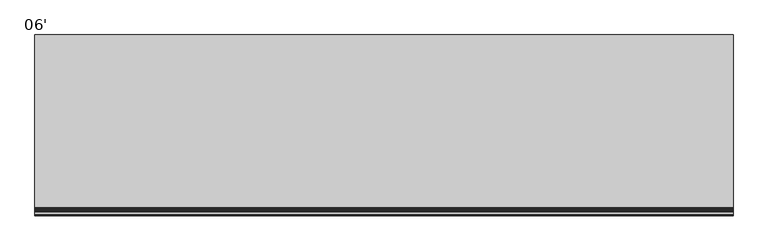
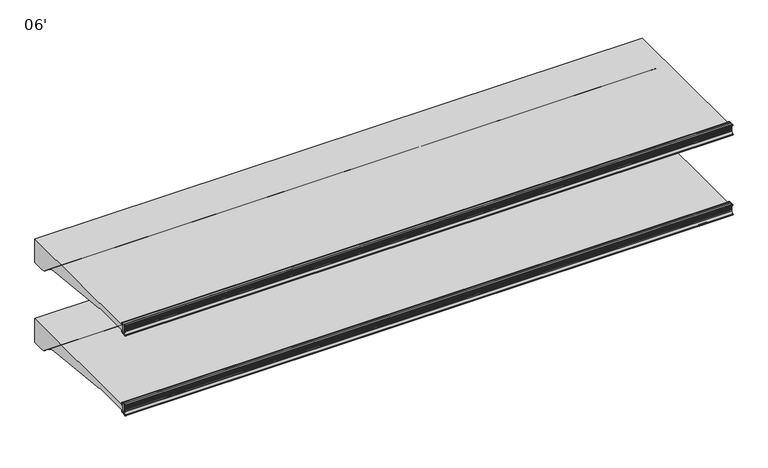
"""IFC4 building model written with IfcOpenShell, lengths in millimetres: proxy geometry, 06'."""

from ifc_helpers import new_model, si_unit, point, frame, frame_2d, origin, place, context, project, spatial, polyline, circle_curve, trimmed, segment, composite_curve, outline, extrude, source, transform, mapped, element, save
from ifc_brep_helpers import plane_surface, cylinder_surface, revolved_surface, advanced_brep


def proxy_06_7a166dba(model_context):
    return source(origin(), model_context, "Body", "SolidModel", [
        advanced_brep(
        [(1828.8, -953.4873974, 681.0904625), (1828.8, -952.5185778, 681.4714625), (1828.8, -953.6333414, 684.3061209), (1828.8, -956.6955302, 686.3996415), (1828.8, -959.1595285, 686.4076477), (1828.8, -959.1595285, 657.8657693), (1828.8, -961.2817196, 655.360368), (1828.8, -965.5436404, 654.6561237), (1828.8, -968.2411887, 658.2745384), (1828.8, -965.1539285, 670.8307421), (1828.8, -965.1539285, 686.4076477), (1828.8, -970.314443, 686.4076477), (1828.8, -971.339509, 685.8874951), (1828.8, -972.4224632, 683.637417), (1828.8, -971.4385536, 683.443709), (1828.8, -970.8449745, 685.0408785), (1828.8, -969.9972085, 685.2102858), (1828.8, -967.9567396, 682.1127655), (1828.8, -967.0677396, 682.1127655), (1828.8, -967.0677396, 677.2983931), (1828.8, -966.2810398, 677.1037668), (1828.8, -967.0803293, 673.8729566), (1828.8, -967.1337108, 670.8148125), (1828.8, -967.1768859, 669.6923073), (1828.8, -967.3201998, 668.0486892), (1828.8, -967.7783843, 665.2928115), (1828.8, -968.1746064, 663.6912412), (1828.8, -971.9864246, 655.4135187), (1828.8, -972.8889174, 655.5326257), (1828.8, -973.3695256, 656.9783707), (1828.8, -974.339124, 656.7144155), (1828.8, -973.9435731, 655.5633791), (1828.8, -968.3206176, 651.8042842), (1828.8, -955.7661201, 653.8703352), (1828.8, -953.1994616, 655.999106), (1828.8, -952.2242271, 658.6783954), (1828.8, -953.2266912, 659.0432625), (1828.8, -954.0834067, 657.2549991), (1828.8, -957.704454, 658.1647291), (1828.8, -957.8263588, 681.9749145), (1828.8, -954.1516029, 682.7785615), (0.0, -953.4873974, 681.0904625), (0.0, -954.1516029, 682.7785615), (0.0, -957.8263588, 681.9749145), (0.0, -957.704454, 658.1647291), (0.0, -954.0834067, 657.2549991), (0.0, -953.2266912, 659.0432625), (0.0, -952.2242271, 658.6783954), (0.0, -953.1994616, 655.999106), (0.0, -955.7661201, 653.8703352), (0.0, -968.3206176, 651.8042842), (0.0, -973.943554, 655.5633876), (0.0, -974.339124, 656.7144155), (0.0, -973.3695256, 656.9783707), (0.0, -972.8889174, 655.5326257), (0.0, -971.9864527, 655.4135375), (0.0, -968.1746064, 663.6912412), (0.0, -967.7783843, 665.2928115), (0.0, -967.3201998, 668.0486892), (0.0, -967.1768859, 669.6923073), (0.0, -967.1337108, 670.8148125), (0.0, -967.0803293, 673.8729566), (0.0, -966.2810398, 677.1037668), (0.0, -967.0677396, 677.2983931), (0.0, -967.0677396, 682.1127655), (0.0, -967.9567396, 682.1127655), (0.0, -969.9972022, 685.2102916), (0.0, -970.8449745, 685.0408785), (0.0, -971.4385536, 683.443709), (0.0, -972.4224582, 683.6374156), (0.0, -971.3395219, 685.8875045), (0.0, -970.314443, 686.4076351), (0.0, -965.1539285, 686.4076477), (0.0, -965.1539285, 670.8307421), (0.0, -968.2411887, 658.2745384), (0.0, -965.5436404, 654.6561237), (0.0, -961.2817196, 655.360368), (0.0, -959.1595285, 657.8657693), (0.0, -959.1595285, 686.4076477), (0.0, -956.6955302, 686.3996415), (0.0, -953.6333414, 684.3061209), (0.0, -952.5185778, 681.4714625)],
        [
            (0, 1),
            (1, 2),
            (2, 3, circle_curve(frame((1828.8, -956.7062592, 683.0976589), z_axis=(1.0, 0.0, 0.0), x_axis=(0.0, 1.0, 0.0)), 3.302)),
            (3, 4),
            (4, 5),
            (5, 6, circle_curve(frame((1828.8, -961.6995285, 657.8657693), z_axis=(-1.0, 0.0, 0.0), x_axis=(0.0, 1.0, 0.0)), 2.54)),
            (6, 7),
            (7, 8, circle_curve(frame((1828.8, -965.9577369, 657.1621385), z_axis=(-1.0, 0.0, 0.0), x_axis=(0.0, 1.0, 0.0)), 2.5399972)),
            (8, 9, circle_curve(frame((1828.8, -996.6337496, 671.9132099), z_axis=(1.0, 0.0, 0.0), x_axis=(0.0, 1.0, 0.0)), 31.4984265)),
            (9, 10),
            (10, 11),
            (11, 12, circle_curve(frame((1828.8, -970.3145227, 685.1376477), z_axis=(1.0, 0.0, 0.0), x_axis=(0.0, 1.0, 0.0)), 1.2699874)),
            (12, 13, circle_curve(frame((1828.8, -965.8048035, 681.8380607), z_axis=(1.0, 0.0, 0.0), x_axis=(0.0, 1.0, 0.0)), 6.8579226)),
            (13, 14, circle_curve(frame((1828.8, -971.9374049, 683.5055199), z_axis=(1.0, 0.0, 0.0), x_axis=(0.0, 1.0, 0.0)), 0.5026661)),
            (14, 15),
            (15, 16, circle_curve(frame((1828.8, -970.3688025, 684.8639119), z_axis=(-1.0, 0.0, 0.0), x_axis=(0.0, 1.0, 0.0)), 0.5079931)),
            (16, 17, circle_curve(frame((1828.8, -978.1160311, 677.6412695), z_axis=(-1.0, 0.0, 0.0), x_axis=(0.0, 1.0, 0.0)), 11.0997964)),
            (17, 18),
            (18, 19),
            (19, 20),
            (20, 21),
            (21, 22),
            (22, 23, circle_curve(frame((1828.8, -995.7036769, 671.3516199), z_axis=(-1.0, 0.0, 0.0), x_axis=(0.0, 1.0, 0.0)), 28.5750087)),
            (23, 24, circle_curve(frame((1828.8, -967.6415419, 668.9047655), z_axis=(-1.0, 0.0, 0.0), x_axis=(0.0, 1.0, 0.0)), 0.9144)),
            (24, 25, circle_curve(frame((1828.8, -995.7036769, 671.3516199), z_axis=(-1.0, 0.0, 0.0), x_axis=(0.0, 1.0, 0.0)), 28.5750087)),
            (25, 26, circle_curve(frame((1828.8, -968.3594405, 664.5867655), z_axis=(-1.0, 0.0, 0.0), x_axis=(0.0, 1.0, 0.0)), 0.9144)),
            (26, 27, circle_curve(frame((1828.8, -995.7036769, 671.3516199), z_axis=(-1.0, 0.0, 0.0), x_axis=(0.0, 1.0, 0.0)), 28.5750087)),
            (27, 28, circle_curve(frame((1828.8, -972.4081685, 655.6967617), z_axis=(-1.0, 0.0, 0.0), x_axis=(0.0, 1.0, 0.0)), 0.5079962)),
            (28, 29),
            (29, 30, circle_curve(frame((1828.8, -973.8504313, 656.8320909), z_axis=(1.0, 0.0, 0.0), x_axis=(0.0, 1.0, 0.0)), 0.502661)),
            (30, 31, circle_curve(frame((1828.8, -967.6812793, 658.3588849), z_axis=(1.0, 0.0, 0.0), x_axis=(0.0, 1.0, 0.0)), 6.857928)),
            (31, 32, circle_curve(frame((1828.8, -968.1450833, 658.1518495), z_axis=(1.0, 0.0, 0.0), x_axis=(0.0, 1.0, 0.0)), 6.3499919)),
            (32, 33),
            (33, 34, circle_curve(frame((1828.8, -956.302307, 657.1285107), z_axis=(1.0, 0.0, 0.0), x_axis=(0.0, 1.0, 0.0)), 3.302)),
            (34, 35),
            (35, 36),
            (36, 37),
            (37, 38, circle_curve(frame((1828.8, -955.8014264, 658.0780625), z_axis=(-1.0, 0.0, 0.0), x_axis=(0.0, 1.0, 0.0)), 1.905)),
            (38, 39, circle_curve(frame((1828.8, -1192.7045275, 668.8669665), z_axis=(1.0, 0.0, 0.0), x_axis=(0.0, 1.0, 0.0)), 235.2436449)),
            (39, 40, circle_curve(frame((1828.8, -955.9243184, 682.0810625), z_axis=(-1.0, 0.0, 0.0), x_axis=(0.0, 1.0, 0.0)), 1.905)),
            (40, 0),
            (41, 42),
            (42, 43, circle_curve(frame((0.0, -955.9243184, 682.0810625), z_axis=(1.0, 0.0, 0.0), x_axis=(0.0, 1.0, 0.0)), 1.905)),
            (43, 44, circle_curve(frame((0.0, -1192.7045275, 668.8669665), z_axis=(-1.0, 0.0, 0.0), x_axis=(0.0, 1.0, 0.0)), 235.2436449)),
            (44, 45, circle_curve(frame((0.0, -955.8014264, 658.0780625), z_axis=(1.0, 0.0, 0.0), x_axis=(0.0, 1.0, 0.0)), 1.905)),
            (45, 46),
            (46, 47),
            (47, 48),
            (48, 49, circle_curve(frame((0.0, -956.302307, 657.1285107), z_axis=(-1.0, 0.0, 0.0), x_axis=(0.0, 1.0, 0.0)), 3.302)),
            (49, 50),
            (50, 51, circle_curve(frame((0.0, -968.1450833, 658.1518495), z_axis=(-1.0, 0.0, 0.0), x_axis=(0.0, 1.0, 0.0)), 6.3499919)),
            (51, 52, circle_curve(frame((0.0, -967.6812793, 658.3588849), z_axis=(-1.0, 0.0, 0.0), x_axis=(0.0, 1.0, 0.0)), 6.857928)),
            (52, 53, circle_curve(frame((0.0, -973.8504313, 656.8320909), z_axis=(-1.0, 0.0, 0.0), x_axis=(0.0, 1.0, 0.0)), 0.502661)),
            (53, 54),
            (54, 55, circle_curve(frame((0.0, -972.4081685, 655.6967617), z_axis=(1.0, 0.0, 0.0), x_axis=(0.0, 1.0, 0.0)), 0.5079962)),
            (55, 56, circle_curve(frame((0.0, -995.7036769, 671.3516199), z_axis=(1.0, 0.0, 0.0), x_axis=(0.0, 1.0, 0.0)), 28.5750087)),
            (56, 57, circle_curve(frame((0.0, -968.3594405, 664.5867655), z_axis=(1.0, 0.0, 0.0), x_axis=(0.0, 1.0, 0.0)), 0.9144)),
            (57, 58, circle_curve(frame((0.0, -995.7036769, 671.3516199), z_axis=(1.0, 0.0, 0.0), x_axis=(0.0, 1.0, 0.0)), 28.5750087)),
            (58, 59, circle_curve(frame((0.0, -967.6415419, 668.9047655), z_axis=(1.0, 0.0, 0.0), x_axis=(0.0, 1.0, 0.0)), 0.9144)),
            (59, 60, circle_curve(frame((0.0, -995.7036769, 671.3516199), z_axis=(1.0, 0.0, 0.0), x_axis=(0.0, 1.0, 0.0)), 28.5750087)),
            (60, 61),
            (61, 62),
            (62, 63),
            (63, 64),
            (64, 65),
            (65, 66, circle_curve(frame((0.0, -978.1160311, 677.6412695), z_axis=(1.0, 0.0, 0.0), x_axis=(0.0, 1.0, 0.0)), 11.0997964)),
            (66, 67, circle_curve(frame((0.0, -970.3688025, 684.8639119), z_axis=(1.0, 0.0, 0.0), x_axis=(0.0, 1.0, 0.0)), 0.5079931)),
            (67, 68),
            (68, 69, circle_curve(frame((0.0, -971.9374049, 683.5055199), z_axis=(-1.0, 0.0, 0.0), x_axis=(0.0, 1.0, 0.0)), 0.5026661)),
            (69, 70, circle_curve(frame((0.0, -965.8048035, 681.8380607), z_axis=(-1.0, 0.0, 0.0), x_axis=(0.0, 1.0, 0.0)), 6.8579226)),
            (70, 71, circle_curve(frame((0.0, -970.3145227, 685.1376477), z_axis=(-1.0, 0.0, 0.0), x_axis=(0.0, 1.0, 0.0)), 1.2699874)),
            (71, 72),
            (72, 73),
            (73, 74, circle_curve(frame((0.0, -996.6337496, 671.9132099), z_axis=(-1.0, 0.0, 0.0), x_axis=(0.0, 1.0, 0.0)), 31.4984265)),
            (74, 75, circle_curve(frame((0.0, -965.9577369, 657.1621385), z_axis=(1.0, 0.0, 0.0), x_axis=(0.0, 1.0, 0.0)), 2.5399972)),
            (75, 76),
            (76, 77, circle_curve(frame((0.0, -961.6995285, 657.8657693), z_axis=(1.0, 0.0, 0.0), x_axis=(0.0, 1.0, 0.0)), 2.54)),
            (77, 78),
            (78, 79),
            (79, 80, circle_curve(frame((0.0, -956.7062592, 683.0976589), z_axis=(-1.0, 0.0, 0.0), x_axis=(0.0, 1.0, 0.0)), 3.302)),
            (80, 81),
            (81, 41),
            (0, 41),
            (81, 1),
            (80, 2),
            (79, 3),
            (78, 4),
            (77, 5),
            (76, 6),
            (75, 7),
            (74, 8),
            (73, 9),
            (72, 10),
            (71, 11),
            (70, 12),
            (69, 13),
            (68, 14),
            (67, 15),
            (66, 16),
            (65, 17),
            (64, 18),
            (63, 19),
            (62, 20),
            (61, 21),
            (60, 22),
            (59, 23),
            (58, 24),
            (57, 25),
            (56, 26),
            (55, 27),
            (54, 28),
            (53, 29),
            (52, 30),
            (51, 31),
            (50, 32),
            (49, 33),
            (48, 34),
            (47, 35),
            (46, 36),
            (45, 37),
            (44, 38),
            (43, 39),
            (42, 40),
        ],
        [
            plane_surface(frame((1828.8, -952.5185778, 681.4714625), z_axis=(1.0, 0.0, 0.0), x_axis=(0.0, 0.9306231900674232, 0.3659787946162082))),
            plane_surface(frame((0.0, -952.5185778, 681.4714625), z_axis=(-1.0, 0.0, 0.0), x_axis=(0.0, -0.9306231900674232, -0.3659787946162082))),
            plane_surface(frame((1828.8, -953.4873974, 681.0904625), z_axis=(0.0, 0.3659787946162082, -0.9306231900674232), x_axis=(-1.0, 0.0, 0.0))),
            plane_surface(frame((1828.8, -952.5185778, 681.4714625), z_axis=(0.0, 0.9306231900759704, 0.3659787945944743), x_axis=(-1.0, 0.0, 0.0))),
            cylinder_surface(frame((0.0, -956.7062592, 683.0976589), z_axis=(1.0, 0.0, 0.0), x_axis=(0.0, 1.0, 0.0)), 3.302),
            plane_surface(frame((1828.8, -956.6955302, 686.3996415), z_axis=(0.0, 0.0032492421037266625, 0.9999947211989428), x_axis=(-1.0, 0.0, 0.0))),
            plane_surface(frame((1828.8, -959.1595285, 686.4076477), z_axis=(0.0, -1.0, 0.0), x_axis=(-1.0, 0.0, 0.0))),
            revolved_surface(polyline([(0.0, -959.1595285000001, 657.8657693), (1828.8, -959.1595285000001, 657.8657693)]), (0.0, -961.6995285, 657.8657693), (-1.0, 0.0, 0.0)),
            plane_surface(frame((1828.8, -961.2817196, 655.360368), z_axis=(0.0, -0.16303029417408857, 0.9866210636214444), x_axis=(-1.0, 0.0, 0.0))),
            revolved_surface(polyline([(0.0, -963.4177397, 657.1621385), (1828.8, -963.4177397, 657.1621385)]), (0.0, -965.9577369, 657.1621385), (-1.0, 0.0, 0.0)),
            cylinder_surface(frame((0.0, -996.6337496, 671.9132099), z_axis=(1.0, 0.0, 0.0), x_axis=(0.0, 1.0, 0.0)), 31.4984265),
            plane_surface(frame((1828.8, -965.1539285, 670.8307421), z_axis=(0.0, 1.0, 0.0), x_axis=(-1.0, 0.0, 0.0))),
            plane_surface(frame((1828.8, -965.1539285, 686.4076477), z_axis=(0.0, -1.119160319973389e-12, 1.0), x_axis=(-1.0, 0.0, 0.0))),
            cylinder_surface(frame((0.0, -970.3145227, 685.1376477), z_axis=(1.0, 0.0, 0.0), x_axis=(0.0, 1.0, 0.0)), 1.2699874),
            cylinder_surface(frame((0.0, -965.8048035, 681.8380607), z_axis=(1.0, 0.0, 0.0), x_axis=(0.0, 1.0, 0.0)), 6.8579226),
            cylinder_surface(frame((0.0, -971.9374049, 683.5055199), z_axis=(1.0, 0.0, 0.0), x_axis=(0.0, 1.0, 0.0)), 0.5026661),
            plane_surface(frame((1828.8, -971.4385536, 683.443709), z_axis=(0.0, 0.9373592211117492, -0.34836430729449747), x_axis=(-1.0, 0.0, 0.0))),
            revolved_surface(polyline([(0.0, -969.8608094, 684.8639119), (1828.8, -969.8608094, 684.8639119)]), (0.0, -970.3688025, 684.8639119), (-1.0, 0.0, 0.0)),
            revolved_surface(polyline([(0.0, -967.0162347, 677.6412695), (1828.8, -967.0162347, 677.6412695)]), (0.0, -978.1160311, 677.6412695), (-1.0, 0.0, 0.0)),
            plane_surface(frame((1828.8, -967.9567396, 682.1127655), z_axis=(0.0, 3.0451831539108525e-12, -1.0), x_axis=(-1.0, 0.0, 0.0))),
            plane_surface(frame((1828.8, -967.0677396, 682.1127655), z_axis=(0.0, -1.0, 0.0), x_axis=(-1.0, 0.0, 0.0))),
            plane_surface(frame((1828.8, -967.0677396, 677.2983931), z_axis=(0.0, -0.24015578728041675, -0.9707343600778348), x_axis=(-1.0, 0.0, 0.0))),
            plane_surface(frame((1828.8, -966.2810398, 677.1037668), z_axis=(0.0, -0.9707343600778283, 0.2401557872804431), x_axis=(-1.0, 0.0, 0.0))),
            plane_surface(frame((1828.8, -967.0803293, 673.8729566), z_axis=(0.0, -0.9998476868214559, 0.017452883938876798), x_axis=(-1.0, 0.0, 0.0))),
            revolved_surface(polyline([(0.0, -967.1286682, 671.3516199), (1828.8, -967.1286682, 671.3516199)]), (0.0, -995.7036769, 671.3516199), (-1.0, 0.0, 0.0)),
            revolved_surface(polyline([(0.0, -966.7271419, 668.9047655), (1828.8, -966.7271419, 668.9047655)]), (0.0, -967.6415419, 668.9047655), (-1.0, 0.0, 0.0)),
            revolved_surface(polyline([(0.0, -967.4450405, 664.5867655), (1828.8, -967.4450405, 664.5867655)]), (0.0, -968.3594405, 664.5867655), (-1.0, 0.0, 0.0)),
            revolved_surface(polyline([(0.0, -971.9001723, 655.6967617), (1828.8, -971.9001723, 655.6967617)]), (0.0, -972.4081685, 655.6967617), (-1.0, 0.0, 0.0)),
            plane_surface(frame((1828.8, -972.8889174, 655.5326257), z_axis=(0.0, 0.9489403078347877, 0.31545568970367077), x_axis=(-1.0, 0.0, 0.0))),
            cylinder_surface(frame((0.0, -973.8504313, 656.8320909), z_axis=(1.0, 0.0, 0.0), x_axis=(0.0, 1.0, 0.0)), 0.502661),
            cylinder_surface(frame((0.0, -967.6812793, 658.3588849), z_axis=(1.0, 0.0, 0.0), x_axis=(0.0, 1.0, 0.0)), 6.857928),
            cylinder_surface(frame((0.0, -968.1450833, 658.1518495), z_axis=(1.0, 0.0, 0.0), x_axis=(0.0, 1.0, 0.0)), 6.3499919),
            plane_surface(frame((1828.8, -968.3206176, 651.8042842), z_axis=(0.0, 0.16238245504538304, -0.986727894757939), x_axis=(-1.0, 0.0, 0.0))),
            cylinder_surface(frame((0.0, -956.302307, 657.1285107), z_axis=(1.0, 0.0, 0.0), x_axis=(0.0, 1.0, 0.0)), 3.302),
            plane_surface(frame((1828.8, -953.1994616, 655.999106), z_axis=(0.0, 0.9396866512804775, -0.3420365439617273), x_axis=(-1.0, 0.0, 0.0))),
            plane_surface(frame((1828.8, -952.2242271, 658.6783954), z_axis=(0.0, 0.342020143308865, 0.9396926207920244), x_axis=(-1.0, 0.0, 0.0))),
            plane_surface(frame((1828.8, -953.2266912, 659.0432625), z_axis=(0.0, -0.901847608486837, 0.43205426865912666), x_axis=(-1.0, 0.0, 0.0))),
            revolved_surface(polyline([(0.0, -953.8964264, 658.0780625), (1828.8, -953.8964264, 658.0780625)]), (0.0, -955.8014264, 658.0780625), (-1.0, 0.0, 0.0)),
            cylinder_surface(frame((0.0, -1192.7045275, 668.8669665), z_axis=(1.0, 0.0, 0.0), x_axis=(0.0, 1.0, 0.0)), 235.2436449),
            revolved_surface(polyline([(0.0, -954.0193184, 682.0810625), (1828.8, -954.0193184, 682.0810625)]), (0.0, -955.9243184, 682.0810625), (-1.0, 0.0, 0.0)),
            plane_surface(frame((1828.8, -954.1516029, 682.7785615), z_axis=(0.0, -0.9305593005414599, -0.3661412134351841), x_axis=(-1.0, 0.0, 0.0))),
        ],
        [
            (0, [[1, 2, 3, 4, 5, 6, 7, 8, 9, 10, 11, 12, 13, 14, 15, 16, 17, 18, 19, 20, 21, 22, 23, 24, 25, 26, 27, 28, 29, 30, 31, 32, 33, 34, 35, 36, 37, 38, 39, 40, 41]]),
            (1, [[42, 43, 44, 45, 46, 47, 48, 49, 50, 51, 52, 53, 54, 55, 56, 57, 58, 59, 60, 61, 62, 63, 64, 65, 66, 67, 68, 69, 70, 71, 72, 73, 74, 75, 76, 77, 78, 79, 80, 81, 82]]),
            (2, [[-1, 83, -82, 84]]),
            (3, [[-2, -84, -81, 85]]),
            (4, [[-3, -85, -80, 86]]),
            (5, [[-4, -86, -79, 87]]),
            (6, [[-5, -87, -78, 88]]),
            (7, [[-6, -88, -77, 89]]),
            (8, [[-7, -89, -76, 90]]),
            (9, [[-8, -90, -75, 91]]),
            (10, [[-9, -91, -74, 92]]),
            (11, [[-10, -92, -73, 93]]),
            (12, [[-11, -93, -72, 94]]),
            (13, [[-12, -94, -71, 95]]),
            (14, [[-13, -95, -70, 96]]),
            (15, [[-14, -96, -69, 97]]),
            (16, [[-15, -97, -68, 98]]),
            (17, [[-16, -98, -67, 99]]),
            (18, [[-17, -99, -66, 100]]),
            (19, [[-18, -100, -65, 101]]),
            (20, [[-19, -101, -64, 102]]),
            (21, [[-20, -102, -63, 103]]),
            (22, [[-21, -103, -62, 104]]),
            (23, [[-22, -104, -61, 105]]),
            (24, [[-23, -105, -60, 106]]),
            (25, [[-24, -106, -59, 107]]),
            (24, [[-25, -107, -58, 108]]),
            (26, [[-26, -108, -57, 109]]),
            (24, [[-27, -109, -56, 110]]),
            (27, [[-28, -110, -55, 111]]),
            (28, [[-29, -111, -54, 112]]),
            (29, [[-30, -112, -53, 113]]),
            (30, [[-31, -113, -52, 114]]),
            (31, [[-32, -114, -51, 115]]),
            (32, [[-33, -115, -50, 116]]),
            (33, [[-34, -116, -49, 117]]),
            (34, [[-35, -117, -48, 118]]),
            (35, [[-36, -118, -47, 119]]),
            (36, [[-37, -119, -46, 120]]),
            (37, [[-38, -120, -45, 121]]),
            (38, [[-39, -121, -44, 122]]),
            (39, [[-40, -122, -43, 123]]),
            (40, [[-41, -123, -42, -83]]),
        ],
    ),
        extrude(outline(composite_curve([segment(trimmed(circle_curve(frame_2d((-536.2729198, 626.0606371)), 25.4), [point((-535.8410838, 600.6643083))], [point((-552.2502761, 606.3151544))], False, "CARTESIAN"), True, "CONTINUOUS"), segment(polyline([(-552.2502761, 606.3151544), (-570.1023372, 620.76042)]), True, "CONTINUOUS"), segment(trimmed(circle_curve(frame_2d((-610.0457279, 571.3967132)), 63.5), [point((-570.1023372, 620.76042))], [point((-602.1478466, 634.4036452))], True, "CARTESIAN"), True, "CONTINUOUS"), segment(polyline([(-602.1478466, 634.4036452), (-835.4355203, 658.1879037), (-835.4355203, 661.5413347), (-954.2108051, 661.5413347), (-954.8655599, 657.8280355)]), True, "CONTINUOUS"), segment(trimmed(circle_curve(frame_2d((-956.153787, 658.0551847)), 1.3081), [point((-954.8655599, 657.8280355))], [point((-957.461887, 658.0551847))], False, "CARTESIAN"), True, "CONTINUOUS"), segment(polyline([(-957.461887, 658.0551847), (-957.461887, 682.2076215)]), True, "CONTINUOUS"), segment(trimmed(circle_curve(frame_2d((-956.6845498, 682.2076215)), 0.7773372), [point((-957.461887, 682.2076215))], [point((-955.9072126, 682.2076215))], False, "CARTESIAN"), True, "CONTINUOUS"), segment(polyline([(-955.9072126, 682.2076215), (-955.9072126, 681.3588437)]), True, "CONTINUOUS"), segment(trimmed(circle_curve(frame_2d((-951.0617588, 681.3588437)), 4.8454538), [point((-955.9072126, 681.3588437))], [point((-951.0838062, 676.5134401))], True, "CARTESIAN"), True, "CONTINUOUS"), segment(polyline([(-951.0838062, 676.5134401), (-500.2639658, 676.5134401), (-500.2639658, 600.6643083), (-535.8410838, 600.6643083)]), True, "CONTINUOUS")], self_intersect=False)), frame((0.0, 0.0, 0.0), z_axis=(1.0, 0.0, 0.0), x_axis=(0.0, 1.0, 0.0)), (0.0, 0.0, 1.0), 1828.8),
        advanced_brep(
        [(1828.8, -953.4873974, 935.3347051), (1828.8, -952.5185778, 935.7157051), (1828.8, -953.6333414, 938.5503636), (1828.8, -956.6955302, 940.6438842), (1828.8, -959.1595285, 940.6518903), (1828.8, -959.1595285, 912.1100119), (1828.8, -961.2817196, 909.6046106), (1828.8, -965.5436404, 908.9003664), (1828.8, -968.2411887, 912.5187811), (1828.8, -965.1539285, 925.0749847), (1828.8, -965.1539285, 940.6518903), (1828.8, -970.314443, 940.6518903), (1828.8, -971.339509, 940.1317378), (1828.8, -972.4224632, 937.8816596), (1828.8, -971.4385536, 937.6879516), (1828.8, -970.8449745, 939.2851212), (1828.8, -969.9972085, 939.4545284), (1828.8, -967.9567396, 936.3570081), (1828.8, -967.0677396, 936.3570081), (1828.8, -967.0677396, 931.5426358), (1828.8, -966.2810398, 931.3480094), (1828.8, -967.0803293, 928.1171993), (1828.8, -967.1337108, 925.0590552), (1828.8, -967.1768859, 923.93655), (1828.8, -967.3201998, 922.2929318), (1828.8, -967.7783843, 919.5370542), (1828.8, -968.1746064, 917.9354839), (1828.8, -971.9864246, 909.6577613), (1828.8, -972.8889174, 909.7768683), (1828.8, -973.3695256, 911.2226133), (1828.8, -974.339124, 910.9586582), (1828.8, -973.9435731, 909.8076217), (1828.8, -968.3206176, 906.0485269), (1828.8, -955.7661201, 908.1145778), (1828.8, -953.1994616, 910.2433487), (1828.8, -952.2242271, 912.922638), (1828.8, -953.2266912, 913.2875051), (1828.8, -954.0834067, 911.4992417), (1828.8, -957.704454, 912.4089717), (1828.8, -957.8263588, 936.2191571), (1828.8, -954.1516029, 937.0228041), (0.0, -953.4873974, 935.3347051), (0.0, -954.1516029, 937.0228041), (0.0, -957.8263588, 936.2191571), (0.0, -957.704454, 912.4089717), (0.0, -954.0834067, 911.4992417), (0.0, -953.2266912, 913.2875051), (0.0, -952.2242271, 912.922638), (0.0, -953.1994616, 910.2433487), (0.0, -955.7661201, 908.1145778), (0.0, -968.3206176, 906.0485269), (0.0, -973.943554, 909.8076302), (0.0, -974.339124, 910.9586582), (0.0, -973.3695256, 911.2226133), (0.0, -972.8889174, 909.7768683), (0.0, -971.9864527, 909.6577802), (0.0, -968.1746064, 917.9354839), (0.0, -967.7783843, 919.5370542), (0.0, -967.3201998, 922.2929318), (0.0, -967.1768859, 923.93655), (0.0, -967.1337108, 925.0590552), (0.0, -967.0803293, 928.1171993), (0.0, -966.2810398, 931.3480094), (0.0, -967.0677396, 931.5426358), (0.0, -967.0677396, 936.3570081), (0.0, -967.9567396, 936.3570081), (0.0, -969.9972022, 939.4545343), (0.0, -970.8449745, 939.2851212), (0.0, -971.4385536, 937.6879516), (0.0, -972.4224582, 937.8816583), (0.0, -971.3395219, 940.1317472), (0.0, -970.314443, 940.6518777), (0.0, -965.1539285, 940.6518903), (0.0, -965.1539285, 925.0749847), (0.0, -968.2411887, 912.5187811), (0.0, -965.5436404, 908.9003664), (0.0, -961.2817196, 909.6046106), (0.0, -959.1595285, 912.1100119), (0.0, -959.1595285, 940.6518903), (0.0, -956.6955302, 940.6438842), (0.0, -953.6333414, 938.5503636), (0.0, -952.5185778, 935.7157051)],
        [
            (0, 1),
            (1, 2),
            (2, 3, circle_curve(frame((1828.8, -956.7062592, 937.3419016), z_axis=(1.0, 0.0, 0.0), x_axis=(0.0, 1.0, 0.0)), 3.302)),
            (3, 4),
            (4, 5),
            (5, 6, circle_curve(frame((1828.8, -961.6995285, 912.1100119), z_axis=(-1.0, 0.0, 0.0), x_axis=(0.0, 1.0, 0.0)), 2.54)),
            (6, 7),
            (7, 8, circle_curve(frame((1828.8, -965.9577369, 911.4063811), z_axis=(-1.0, 0.0, 0.0), x_axis=(0.0, 1.0, 0.0)), 2.5399972)),
            (8, 9, circle_curve(frame((1828.8, -996.6337496, 926.1574525), z_axis=(1.0, 0.0, 0.0), x_axis=(0.0, 1.0, 0.0)), 31.4984265)),
            (9, 10),
            (10, 11),
            (11, 12, circle_curve(frame((1828.8, -970.3145227, 939.3818903), z_axis=(1.0, 0.0, 0.0), x_axis=(0.0, 1.0, 0.0)), 1.2699874)),
            (12, 13, circle_curve(frame((1828.8, -965.8048035, 936.0823033), z_axis=(1.0, 0.0, 0.0), x_axis=(0.0, 1.0, 0.0)), 6.8579226)),
            (13, 14, circle_curve(frame((1828.8, -971.9374049, 937.7497625), z_axis=(1.0, 0.0, 0.0), x_axis=(0.0, 1.0, 0.0)), 0.5026661)),
            (14, 15),
            (15, 16, circle_curve(frame((1828.8, -970.3688025, 939.1081545), z_axis=(-1.0, 0.0, 0.0), x_axis=(0.0, 1.0, 0.0)), 0.5079931)),
            (16, 17, circle_curve(frame((1828.8, -978.1160311, 931.8855121), z_axis=(-1.0, 0.0, 0.0), x_axis=(0.0, 1.0, 0.0)), 11.0997964)),
            (17, 18),
            (18, 19),
            (19, 20),
            (20, 21),
            (21, 22),
            (22, 23, circle_curve(frame((1828.8, -995.7036769, 925.5958625), z_axis=(-1.0, 0.0, 0.0), x_axis=(0.0, 1.0, 0.0)), 28.5750087)),
            (23, 24, circle_curve(frame((1828.8, -967.6415419, 923.1490081), z_axis=(-1.0, 0.0, 0.0), x_axis=(0.0, 1.0, 0.0)), 0.9144)),
            (24, 25, circle_curve(frame((1828.8, -995.7036769, 925.5958625), z_axis=(-1.0, 0.0, 0.0), x_axis=(0.0, 1.0, 0.0)), 28.5750087)),
            (25, 26, circle_curve(frame((1828.8, -968.3594405, 918.8310081), z_axis=(-1.0, 0.0, 0.0), x_axis=(0.0, 1.0, 0.0)), 0.9144)),
            (26, 27, circle_curve(frame((1828.8, -995.7036769, 925.5958625), z_axis=(-1.0, 0.0, 0.0), x_axis=(0.0, 1.0, 0.0)), 28.5750087)),
            (27, 28, circle_curve(frame((1828.8, -972.4081685, 909.9410043), z_axis=(-1.0, 0.0, 0.0), x_axis=(0.0, 1.0, 0.0)), 0.5079962)),
            (28, 29),
            (29, 30, circle_curve(frame((1828.8, -973.8504313, 911.0763335), z_axis=(1.0, 0.0, 0.0), x_axis=(0.0, 1.0, 0.0)), 0.502661)),
            (30, 31, circle_curve(frame((1828.8, -967.6812793, 912.6031275), z_axis=(1.0, 0.0, 0.0), x_axis=(0.0, 1.0, 0.0)), 6.857928)),
            (31, 32, circle_curve(frame((1828.8, -968.1450833, 912.3960921), z_axis=(1.0, 0.0, 0.0), x_axis=(0.0, 1.0, 0.0)), 6.3499919)),
            (32, 33),
            (33, 34, circle_curve(frame((1828.8, -956.302307, 911.3727533), z_axis=(1.0, 0.0, 0.0), x_axis=(0.0, 1.0, 0.0)), 3.302)),
            (34, 35),
            (35, 36),
            (36, 37),
            (37, 38, circle_curve(frame((1828.8, -955.8014264, 912.3223051), z_axis=(-1.0, 0.0, 0.0), x_axis=(0.0, 1.0, 0.0)), 1.905)),
            (38, 39, circle_curve(frame((1828.8, -1192.7045275, 923.1112091), z_axis=(1.0, 0.0, 0.0), x_axis=(0.0, 1.0, 0.0)), 235.2436449)),
            (39, 40, circle_curve(frame((1828.8, -955.9243184, 936.3253051), z_axis=(-1.0, 0.0, 0.0), x_axis=(0.0, 1.0, 0.0)), 1.905)),
            (40, 0),
            (41, 42),
            (42, 43, circle_curve(frame((0.0, -955.9243184, 936.3253051), z_axis=(1.0, 0.0, 0.0), x_axis=(0.0, 1.0, 0.0)), 1.905)),
            (43, 44, circle_curve(frame((0.0, -1192.7045275, 923.1112091), z_axis=(-1.0, 0.0, 0.0), x_axis=(0.0, 1.0, 0.0)), 235.2436449)),
            (44, 45, circle_curve(frame((0.0, -955.8014264, 912.3223051), z_axis=(1.0, 0.0, 0.0), x_axis=(0.0, 1.0, 0.0)), 1.905)),
            (45, 46),
            (46, 47),
            (47, 48),
            (48, 49, circle_curve(frame((0.0, -956.302307, 911.3727533), z_axis=(-1.0, 0.0, 0.0), x_axis=(0.0, 1.0, 0.0)), 3.302)),
            (49, 50),
            (50, 51, circle_curve(frame((0.0, -968.1450833, 912.3960921), z_axis=(-1.0, 0.0, 0.0), x_axis=(0.0, 1.0, 0.0)), 6.3499919)),
            (51, 52, circle_curve(frame((0.0, -967.6812793, 912.6031275), z_axis=(-1.0, 0.0, 0.0), x_axis=(0.0, 1.0, 0.0)), 6.857928)),
            (52, 53, circle_curve(frame((0.0, -973.8504313, 911.0763335), z_axis=(-1.0, 0.0, 0.0), x_axis=(0.0, 1.0, 0.0)), 0.502661)),
            (53, 54),
            (54, 55, circle_curve(frame((0.0, -972.4081685, 909.9410043), z_axis=(1.0, 0.0, 0.0), x_axis=(0.0, 1.0, 0.0)), 0.5079962)),
            (55, 56, circle_curve(frame((0.0, -995.7036769, 925.5958625), z_axis=(1.0, 0.0, 0.0), x_axis=(0.0, 1.0, 0.0)), 28.5750087)),
            (56, 57, circle_curve(frame((0.0, -968.3594405, 918.8310081), z_axis=(1.0, 0.0, 0.0), x_axis=(0.0, 1.0, 0.0)), 0.9144)),
            (57, 58, circle_curve(frame((0.0, -995.7036769, 925.5958625), z_axis=(1.0, 0.0, 0.0), x_axis=(0.0, 1.0, 0.0)), 28.5750087)),
            (58, 59, circle_curve(frame((0.0, -967.6415419, 923.1490081), z_axis=(1.0, 0.0, 0.0), x_axis=(0.0, 1.0, 0.0)), 0.9144)),
            (59, 60, circle_curve(frame((0.0, -995.7036769, 925.5958625), z_axis=(1.0, 0.0, 0.0), x_axis=(0.0, 1.0, 0.0)), 28.5750087)),
            (60, 61),
            (61, 62),
            (62, 63),
            (63, 64),
            (64, 65),
            (65, 66, circle_curve(frame((0.0, -978.1160311, 931.8855121), z_axis=(1.0, 0.0, 0.0), x_axis=(0.0, 1.0, 0.0)), 11.0997964)),
            (66, 67, circle_curve(frame((0.0, -970.3688025, 939.1081545), z_axis=(1.0, 0.0, 0.0), x_axis=(0.0, 1.0, 0.0)), 0.5079931)),
            (67, 68),
            (68, 69, circle_curve(frame((0.0, -971.9374049, 937.7497625), z_axis=(-1.0, 0.0, 0.0), x_axis=(0.0, 1.0, 0.0)), 0.5026661)),
            (69, 70, circle_curve(frame((0.0, -965.8048035, 936.0823033), z_axis=(-1.0, 0.0, 0.0), x_axis=(0.0, 1.0, 0.0)), 6.8579226)),
            (70, 71, circle_curve(frame((0.0, -970.3145227, 939.3818903), z_axis=(-1.0, 0.0, 0.0), x_axis=(0.0, 1.0, 0.0)), 1.2699874)),
            (71, 72),
            (72, 73),
            (73, 74, circle_curve(frame((0.0, -996.6337496, 926.1574525), z_axis=(-1.0, 0.0, 0.0), x_axis=(0.0, 1.0, 0.0)), 31.4984265)),
            (74, 75, circle_curve(frame((0.0, -965.9577369, 911.4063811), z_axis=(1.0, 0.0, 0.0), x_axis=(0.0, 1.0, 0.0)), 2.5399972)),
            (75, 76),
            (76, 77, circle_curve(frame((0.0, -961.6995285, 912.1100119), z_axis=(1.0, 0.0, 0.0), x_axis=(0.0, 1.0, 0.0)), 2.54)),
            (77, 78),
            (78, 79),
            (79, 80, circle_curve(frame((0.0, -956.7062592, 937.3419016), z_axis=(-1.0, 0.0, 0.0), x_axis=(0.0, 1.0, 0.0)), 3.302)),
            (80, 81),
            (81, 41),
            (0, 41),
            (81, 1),
            (80, 2),
            (79, 3),
            (78, 4),
            (77, 5),
            (76, 6),
            (75, 7),
            (74, 8),
            (73, 9),
            (72, 10),
            (71, 11),
            (70, 12),
            (69, 13),
            (68, 14),
            (67, 15),
            (66, 16),
            (65, 17),
            (64, 18),
            (63, 19),
            (62, 20),
            (61, 21),
            (60, 22),
            (59, 23),
            (58, 24),
            (57, 25),
            (56, 26),
            (55, 27),
            (54, 28),
            (53, 29),
            (52, 30),
            (51, 31),
            (50, 32),
            (49, 33),
            (48, 34),
            (47, 35),
            (46, 36),
            (45, 37),
            (44, 38),
            (43, 39),
            (42, 40),
        ],
        [
            plane_surface(frame((1828.8, -952.5185778, 935.7157051), z_axis=(1.0, 0.0, 0.0), x_axis=(0.0, 0.9306231900674232, 0.3659787946162082))),
            plane_surface(frame((0.0, -952.5185778, 935.7157051), z_axis=(-1.0, 0.0, 0.0), x_axis=(0.0, -0.9306231900674232, -0.3659787946162082))),
            plane_surface(frame((1828.8, -953.4873974, 935.3347051), z_axis=(0.0, 0.3659787946162082, -0.9306231900674232), x_axis=(-1.0, 0.0, 0.0))),
            plane_surface(frame((1828.8, -952.5185778, 935.7157051), z_axis=(0.0, 0.9306231900759704, 0.3659787945944743), x_axis=(-1.0, 0.0, 0.0))),
            cylinder_surface(frame((0.0, -956.7062592, 937.3419016), z_axis=(1.0, 0.0, 0.0), x_axis=(0.0, 1.0, 0.0)), 3.302),
            plane_surface(frame((1828.8, -956.6955302, 940.6438842), z_axis=(0.0, 0.0032492421037266625, 0.9999947211989428), x_axis=(-1.0, 0.0, 0.0))),
            plane_surface(frame((1828.8, -959.1595285, 940.6518903), z_axis=(0.0, -1.0, 0.0), x_axis=(-1.0, 0.0, 0.0))),
            revolved_surface(polyline([(0.0, -959.1595285000001, 912.1100119), (1828.8, -959.1595285000001, 912.1100119)]), (0.0, -961.6995285, 912.1100119), (-1.0, 0.0, 0.0)),
            plane_surface(frame((1828.8, -961.2817196, 909.6046106), z_axis=(0.0, -0.16303029417408857, 0.9866210636214444), x_axis=(-1.0, 0.0, 0.0))),
            revolved_surface(polyline([(0.0, -963.4177397, 911.4063811), (1828.8, -963.4177397, 911.4063811)]), (0.0, -965.9577369, 911.4063811), (-1.0, 0.0, 0.0)),
            cylinder_surface(frame((0.0, -996.6337496, 926.1574525), z_axis=(1.0, 0.0, 0.0), x_axis=(0.0, 1.0, 0.0)), 31.4984265),
            plane_surface(frame((1828.8, -965.1539285, 925.0749847), z_axis=(0.0, 1.0, 0.0), x_axis=(-1.0, 0.0, 0.0))),
            plane_surface(frame((1828.8, -965.1539285, 940.6518903), z_axis=(0.0, -1.119160319973389e-12, 1.0), x_axis=(-1.0, 0.0, 0.0))),
            cylinder_surface(frame((0.0, -970.3145227, 939.3818903), z_axis=(1.0, 0.0, 0.0), x_axis=(0.0, 1.0, 0.0)), 1.2699874),
            cylinder_surface(frame((0.0, -965.8048035, 936.0823033), z_axis=(1.0, 0.0, 0.0), x_axis=(0.0, 1.0, 0.0)), 6.8579226),
            cylinder_surface(frame((0.0, -971.9374049, 937.7497625), z_axis=(1.0, 0.0, 0.0), x_axis=(0.0, 1.0, 0.0)), 0.5026661),
            plane_surface(frame((1828.8, -971.4385536, 937.6879516), z_axis=(0.0, 0.9373592211117492, -0.34836430729449747), x_axis=(-1.0, 0.0, 0.0))),
            revolved_surface(polyline([(0.0, -969.8608094, 939.1081545), (1828.8, -969.8608094, 939.1081545)]), (0.0, -970.3688025, 939.1081545), (-1.0, 0.0, 0.0)),
            revolved_surface(polyline([(0.0, -967.0162347, 931.8855121), (1828.8, -967.0162347, 931.8855121)]), (0.0, -978.1160311, 931.8855121), (-1.0, 0.0, 0.0)),
            plane_surface(frame((1828.8, -967.9567396, 936.3570081), z_axis=(0.0, 3.0451831539108525e-12, -1.0), x_axis=(-1.0, 0.0, 0.0))),
            plane_surface(frame((1828.8, -967.0677396, 936.3570081), z_axis=(0.0, -1.0, 0.0), x_axis=(-1.0, 0.0, 0.0))),
            plane_surface(frame((1828.8, -967.0677396, 931.5426358), z_axis=(0.0, -0.24015578728041675, -0.9707343600778348), x_axis=(-1.0, 0.0, 0.0))),
            plane_surface(frame((1828.8, -966.2810398, 931.3480094), z_axis=(0.0, -0.9707343600778283, 0.2401557872804431), x_axis=(-1.0, 0.0, 0.0))),
            plane_surface(frame((1828.8, -967.0803293, 928.1171993), z_axis=(0.0, -0.9998476868214559, 0.017452883938876798), x_axis=(-1.0, 0.0, 0.0))),
            revolved_surface(polyline([(0.0, -967.1286682, 925.5958625), (1828.8, -967.1286682, 925.5958625)]), (0.0, -995.7036769, 925.5958625), (-1.0, 0.0, 0.0)),
            revolved_surface(polyline([(0.0, -966.7271419, 923.1490081), (1828.8, -966.7271419, 923.1490081)]), (0.0, -967.6415419, 923.1490081), (-1.0, 0.0, 0.0)),
            revolved_surface(polyline([(0.0, -967.4450405, 918.8310081), (1828.8, -967.4450405, 918.8310081)]), (0.0, -968.3594405, 918.8310081), (-1.0, 0.0, 0.0)),
            revolved_surface(polyline([(0.0, -971.9001723, 909.9410043), (1828.8, -971.9001723, 909.9410043)]), (0.0, -972.4081685, 909.9410043), (-1.0, 0.0, 0.0)),
            plane_surface(frame((1828.8, -972.8889174, 909.7768683), z_axis=(0.0, 0.9489403078347877, 0.31545568970367077), x_axis=(-1.0, 0.0, 0.0))),
            cylinder_surface(frame((0.0, -973.8504313, 911.0763335), z_axis=(1.0, 0.0, 0.0), x_axis=(0.0, 1.0, 0.0)), 0.502661),
            cylinder_surface(frame((0.0, -967.6812793, 912.6031275), z_axis=(1.0, 0.0, 0.0), x_axis=(0.0, 1.0, 0.0)), 6.857928),
            cylinder_surface(frame((0.0, -968.1450833, 912.3960921), z_axis=(1.0, 0.0, 0.0), x_axis=(0.0, 1.0, 0.0)), 6.3499919),
            plane_surface(frame((1828.8, -968.3206176, 906.0485269), z_axis=(0.0, 0.16238245504538304, -0.986727894757939), x_axis=(-1.0, 0.0, 0.0))),
            cylinder_surface(frame((0.0, -956.302307, 911.3727533), z_axis=(1.0, 0.0, 0.0), x_axis=(0.0, 1.0, 0.0)), 3.302),
            plane_surface(frame((1828.8, -953.1994616, 910.2433487), z_axis=(0.0, 0.9396866512804775, -0.3420365439617273), x_axis=(-1.0, 0.0, 0.0))),
            plane_surface(frame((1828.8, -952.2242271, 912.922638), z_axis=(0.0, 0.342020143308865, 0.9396926207920244), x_axis=(-1.0, 0.0, 0.0))),
            plane_surface(frame((1828.8, -953.2266912, 913.2875051), z_axis=(0.0, -0.901847608486837, 0.43205426865912666), x_axis=(-1.0, 0.0, 0.0))),
            revolved_surface(polyline([(0.0, -953.8964264, 912.3223051), (1828.8, -953.8964264, 912.3223051)]), (0.0, -955.8014264, 912.3223051), (-1.0, 0.0, 0.0)),
            cylinder_surface(frame((0.0, -1192.7045275, 923.1112091), z_axis=(1.0, 0.0, 0.0), x_axis=(0.0, 1.0, 0.0)), 235.2436449),
            revolved_surface(polyline([(0.0, -954.0193184, 936.3253051), (1828.8, -954.0193184, 936.3253051)]), (0.0, -955.9243184, 936.3253051), (-1.0, 0.0, 0.0)),
            plane_surface(frame((1828.8, -954.1516029, 937.0228041), z_axis=(0.0, -0.9305593005414599, -0.3661412134351841), x_axis=(-1.0, 0.0, 0.0))),
        ],
        [
            (0, [[1, 2, 3, 4, 5, 6, 7, 8, 9, 10, 11, 12, 13, 14, 15, 16, 17, 18, 19, 20, 21, 22, 23, 24, 25, 26, 27, 28, 29, 30, 31, 32, 33, 34, 35, 36, 37, 38, 39, 40, 41]]),
            (1, [[42, 43, 44, 45, 46, 47, 48, 49, 50, 51, 52, 53, 54, 55, 56, 57, 58, 59, 60, 61, 62, 63, 64, 65, 66, 67, 68, 69, 70, 71, 72, 73, 74, 75, 76, 77, 78, 79, 80, 81, 82]]),
            (2, [[-1, 83, -82, 84]]),
            (3, [[-2, -84, -81, 85]]),
            (4, [[-3, -85, -80, 86]]),
            (5, [[-4, -86, -79, 87]]),
            (6, [[-5, -87, -78, 88]]),
            (7, [[-6, -88, -77, 89]]),
            (8, [[-7, -89, -76, 90]]),
            (9, [[-8, -90, -75, 91]]),
            (10, [[-9, -91, -74, 92]]),
            (11, [[-10, -92, -73, 93]]),
            (12, [[-11, -93, -72, 94]]),
            (13, [[-12, -94, -71, 95]]),
            (14, [[-13, -95, -70, 96]]),
            (15, [[-14, -96, -69, 97]]),
            (16, [[-15, -97, -68, 98]]),
            (17, [[-16, -98, -67, 99]]),
            (18, [[-17, -99, -66, 100]]),
            (19, [[-18, -100, -65, 101]]),
            (20, [[-19, -101, -64, 102]]),
            (21, [[-20, -102, -63, 103]]),
            (22, [[-21, -103, -62, 104]]),
            (23, [[-22, -104, -61, 105]]),
            (24, [[-23, -105, -60, 106]]),
            (25, [[-24, -106, -59, 107]]),
            (24, [[-25, -107, -58, 108]]),
            (26, [[-26, -108, -57, 109]]),
            (24, [[-27, -109, -56, 110]]),
            (27, [[-28, -110, -55, 111]]),
            (28, [[-29, -111, -54, 112]]),
            (29, [[-30, -112, -53, 113]]),
            (30, [[-31, -113, -52, 114]]),
            (31, [[-32, -114, -51, 115]]),
            (32, [[-33, -115, -50, 116]]),
            (33, [[-34, -116, -49, 117]]),
            (34, [[-35, -117, -48, 118]]),
            (35, [[-36, -118, -47, 119]]),
            (36, [[-37, -119, -46, 120]]),
            (37, [[-38, -120, -45, 121]]),
            (38, [[-39, -121, -44, 122]]),
            (39, [[-40, -122, -43, 123]]),
            (40, [[-41, -123, -42, -83]]),
        ],
    ),
        extrude(outline(composite_curve([segment(trimmed(circle_curve(frame_2d((-536.2729198, 880.3048798)), 25.4), [point((-535.8410838, 854.908551))], [point((-552.2502761, 860.5593971))], False, "CARTESIAN"), True, "CONTINUOUS"), segment(polyline([(-552.2502761, 860.5593971), (-570.1023372, 875.0046626)]), True, "CONTINUOUS"), segment(trimmed(circle_curve(frame_2d((-610.0457279, 825.6409559)), 63.5), [point((-570.1023372, 875.0046626))], [point((-602.1478466, 888.6478878))], True, "CARTESIAN"), True, "CONTINUOUS"), segment(polyline([(-602.1478466, 888.6478878), (-835.4355203, 912.4321464), (-835.4355203, 915.7855773), (-954.2108051, 915.7855773), (-954.8655599, 912.0722781)]), True, "CONTINUOUS"), segment(trimmed(circle_curve(frame_2d((-956.153787, 912.2994273)), 1.3081), [point((-954.8655599, 912.0722781))], [point((-957.461887, 912.2994273))], False, "CARTESIAN"), True, "CONTINUOUS"), segment(polyline([(-957.461887, 912.2994273), (-957.461887, 936.4518642)]), True, "CONTINUOUS"), segment(trimmed(circle_curve(frame_2d((-956.6845498, 936.4518642)), 0.7773372), [point((-957.461887, 936.4518642))], [point((-955.9072126, 936.4518642))], False, "CARTESIAN"), True, "CONTINUOUS"), segment(polyline([(-955.9072126, 936.4518642), (-955.9072126, 935.6030864)]), True, "CONTINUOUS"), segment(trimmed(circle_curve(frame_2d((-951.0617588, 935.6030864)), 4.8454538), [point((-955.9072126, 935.6030864))], [point((-951.0838062, 930.7576827))], True, "CARTESIAN"), True, "CONTINUOUS"), segment(polyline([(-951.0838062, 930.7576827), (-500.2639658, 930.7576827), (-500.2639658, 854.908551), (-535.8410838, 854.908551)]), True, "CONTINUOUS")], self_intersect=False)), frame((0.0, 0.0, 0.0), z_axis=(1.0, 0.0, 0.0), x_axis=(0.0, 1.0, 0.0)), (0.0, 0.0, 1.0), 1828.8),
    ])


if __name__ == "__main__":
    model = new_model("IFC4")
    model_context = context("Model", 3, world=origin())
    ifc_project = project(units=[si_unit("LENGTHUNIT", "METRE", prefix="MILLI")], contexts=[model_context])
    site = spatial("IfcSite", under=ifc_project)
    building = spatial("IfcBuilding", under=site)
    placement = place(None, origin())
    proxy_06_shape = proxy_06_7a166dba(model_context)
    element("IfcBuildingElementProxy", 1, Name="06'", ObjectType="06'", at=placement, inside=building, context=model_context, shape_type="MappedRepresentation", body=[
        mapped(proxy_06_shape, transform((0.0, 0.0, 0.0), x_axis=(1.0, 0.0, 0.0), y_axis=(0.0, 1.0, 0.0), z_axis=(0.0, 0.0, 1.0))),
    ])
    save(model, "model.ifc")
